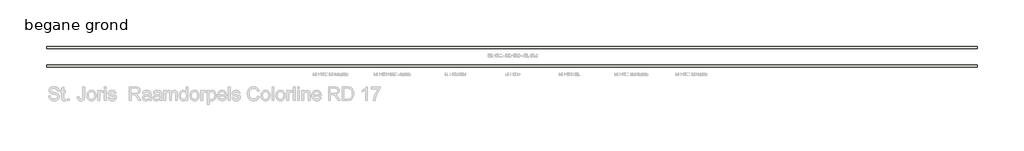
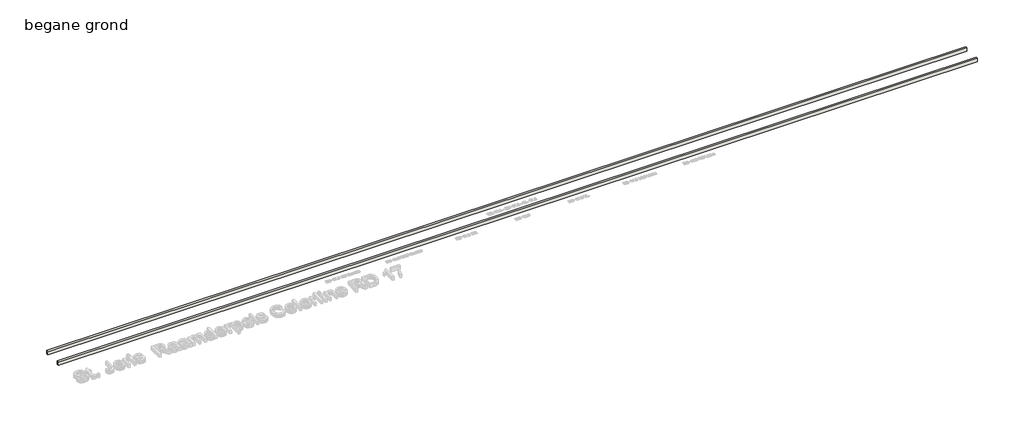
# One storey, part 1 of 4: 2 walls.
"""IFC4 building model written with IfcOpenShell, lengths in millimetres."""

from ifc_helpers import new_model, si_unit, origin, origin_with_axes, place, context, project, spatial, polyline, outline, extrude, element, save

model = new_model("IFC4")

# Units and contexts
model_context = context("Model", 3, world=origin())
ifc_project = project(units=[si_unit("LENGTHUNIT", "METRE", prefix="MILLI")], contexts=[model_context])

# Site, building, storey
site = spatial("IfcSite", under=ifc_project)
building = spatial("IfcBuilding", under=site)
storey = spatial("IfcBuildingStorey", under=building, Name="begane grond", Elevation=0.0)

# Walls
placement = place(None, origin())
element("IfcWall", 1, ObjectType="Generic - 100mm", at=placement, inside=storey, context=model_context, shape_type="SweptSolid", body=[
    extrude(outline(polyline([(19957.8224373, 32019.9574186), (-20031.7737169, 32019.9574186), (-20031.7737169, 32119.9574186), (19957.8224373, 32119.9574186), (19957.8224373, 32019.9574186)])), origin_with_axes(), (0.0, 0.0, 1.0), 150.0),
])
element("IfcWall", 2, ObjectType="Generic - 100mm", at=placement, inside=storey, context=model_context, shape_type="SweptSolid", body=[
    extrude(outline(polyline([(19957.8224373, 32819.9574186), (-20031.7737169, 32819.9574186), (-20031.7737169, 32919.9574186), (19957.8224373, 32919.9574186), (19957.8224373, 32819.9574186)])), origin_with_axes(), (0.0, 0.0, 1.0), 150.0),
])

save(model, "model.ifc")
